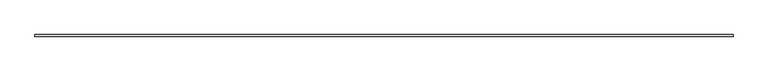
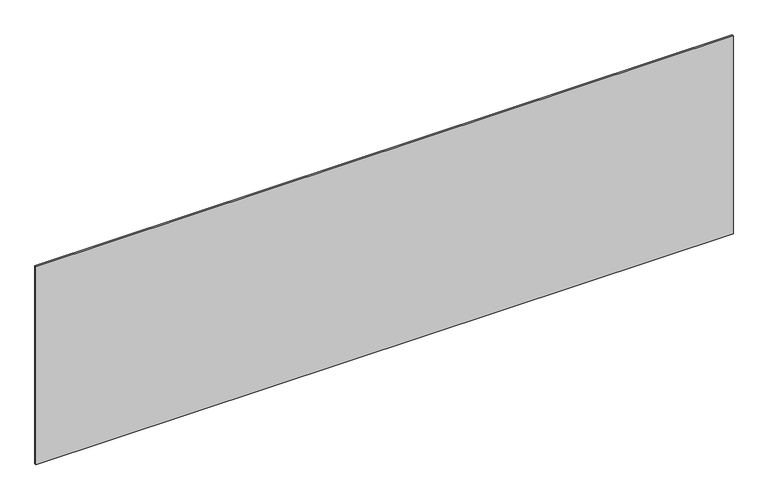
"""IFC4 building model written with IfcOpenShell, lengths in millimetres: plate geometry."""

from ifc_helpers import new_model, si_unit, origin, origin_with_axes, place, context, project, spatial, polyline, outline, extrude, source, transform, mapped, element, save


def plate_fd4654fb(model_context):
    return source(origin(), model_context, "Body", "SweptSolid", [
        extrude(outline(polyline([(2189.1666667, -5.0), (-2189.1666667, -5.0), (-2189.1666667, 5.0), (2189.1666667, 5.0), (2189.1666667, -5.0)])), origin_with_axes(), (0.0, 0.0, 1.0), 1313.9400382),
    ])


if __name__ == "__main__":
    model = new_model("IFC4")
    model_context = context("Model", 3, world=origin())
    ifc_project = project(units=[si_unit("LENGTHUNIT", "METRE", prefix="MILLI")], contexts=[model_context])
    site = spatial("IfcSite", under=ifc_project)
    building = spatial("IfcBuilding", under=site)
    placement = place(None, origin())
    plate_shape = plate_fd4654fb(model_context)
    element("IfcPlate", 1, at=placement, inside=building, context=model_context, shape_type="MappedRepresentation", body=[
        mapped(plate_shape, transform((0.0, 0.0, 0.0), x_axis=(1.0, 0.0, 0.0), y_axis=(0.0, 1.0, 0.0), z_axis=(0.0, 0.0, 1.0))),
    ])
    save(model, "model.ifc")
